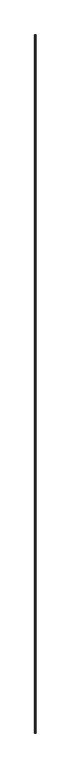
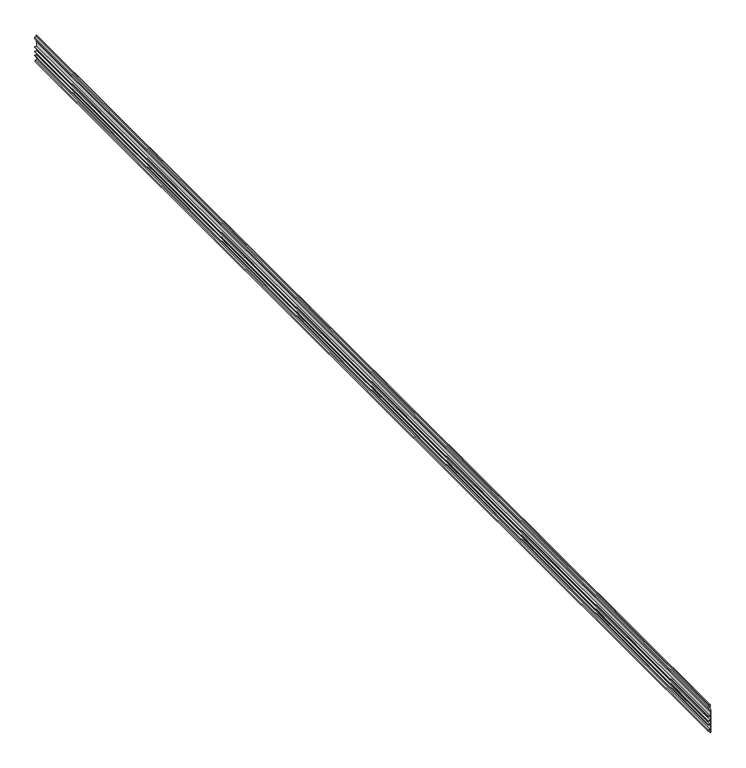
"""IFC4 building model written with IfcOpenShell, lengths in millimetres: proxy geometry."""

from ifc_helpers import new_model, si_unit, frame, origin, place, context, project, spatial, polyline, outline, extrude, source, transform, mapped, element, save


def generic_models_d369118a(model_context):
    return source(origin(), model_context, "Body", "SweptSolid", [
        extrude(outline(polyline([(2965.4569019, 38255.1648517), (2965.4569019, 38258.3398517), (3098.8069019, 38258.3398517), (3098.8069019, 38255.1648517), (3111.5069019, 38255.1648517), (3114.0359786, 38249.7412292), (3118.5028252, 38249.7412292), (3121.0319019, 38255.1648517), (3130.5569019, 38255.1648517), (3130.5569019, 38251.9898517), (3123.0545999, 38251.9898517), (3120.2385724, 38245.9508611), (3112.3002314, 38245.9508611), (3109.4842038, 38251.9898517), (3095.6319019, 38251.9898517), (3095.6319019, 38255.1648517), (3064.6756519, 38255.1648517), (3064.6756519, 38245.6398517), (3061.5006519, 38245.6398517), (3061.5006519, 38255.1648517), (3039.2756519, 38255.1648517), (3039.2756519, 38245.6398517), (3036.1006519, 38245.6398517), (3036.1006519, 38255.1648517), (3013.8756519, 38255.1648517), (3013.8756519, 38245.6398517), (3010.7006519, 38245.6398517), (3010.7006519, 38255.1648517), (2985.3006519, 38255.1648517), (2985.3006519, 38246.3544132), (2975.7756519, 38246.3544132), (2975.7756519, 38250.2518612), (2982.1256519, 38250.2518612), (2982.1256519, 38255.1648517), (2965.4569019, 38255.1648517)])), frame((0.0, -25196.3529893, 0.0), z_axis=(0.0, 1.0, 0.0), x_axis=(0.0, 0.0, 1.0)), (0.0, 0.0, 1.0), 6533.92),
    ])


if __name__ == "__main__":
    model = new_model("IFC4")
    model_context = context("Model", 3, world=origin())
    ifc_project = project(units=[si_unit("LENGTHUNIT", "METRE", prefix="MILLI")], contexts=[model_context])
    site = spatial("IfcSite", under=ifc_project)
    building = spatial("IfcBuilding", under=site)
    placement = place(None, origin())
    generic_models_shape = generic_models_d369118a(model_context)
    element("IfcBuildingElementProxy", 1, Name="Generic Models", at=placement, inside=building, context=model_context, shape_type="MappedRepresentation", body=[
        mapped(generic_models_shape, transform((0.0, 0.0, 0.0), x_axis=(1.0, 0.0, 0.0), y_axis=(0.0, 1.0, 0.0), z_axis=(0.0, 0.0, 1.0))),
    ])
    save(model, "model.ifc")
